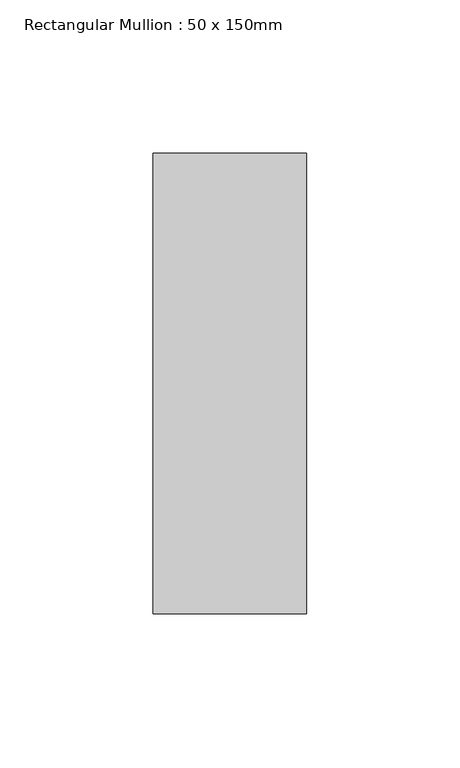
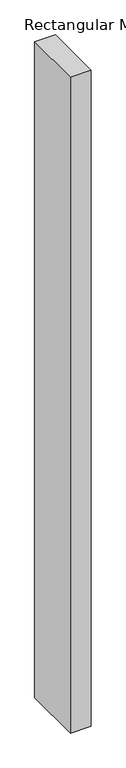
"""IFC4 building model written with IfcOpenShell, lengths in millimetres: member geometry, Rectangular Mullion : 50 x 150mm."""

from ifc_helpers import new_model, si_unit, frame, origin, place, context, project, spatial, polyline, outline, extrude, source, transform, mapped, element, save


def rectangular_mullion_50_x_150mm_283ed55d(model_context):
    return source(origin(), model_context, "Body", "SweptSolid", [
        extrude(outline(polyline([(0.0, 75.0), (0.0, -75.0), (-50.0, -75.0), (-50.0, 75.0), (0.0, 75.0)])), frame((0.0, 0.0, -1678.8531145), z_axis=(0.0, 0.0, 1.0), x_axis=(1.0, 0.0, 0.0)), (0.0, 0.0, 1.0), 1678.8531145),
    ])


if __name__ == "__main__":
    model = new_model("IFC4")
    model_context = context("Model", 3, world=origin())
    ifc_project = project(units=[si_unit("LENGTHUNIT", "METRE", prefix="MILLI")], contexts=[model_context])
    site = spatial("IfcSite", under=ifc_project)
    building = spatial("IfcBuilding", under=site)
    placement = place(None, origin())
    rectangular_mullion_50_x_150mm_shape = rectangular_mullion_50_x_150mm_283ed55d(model_context)
    element("IfcMember", 1, ObjectType="Rectangular Mullion : 50 x 150mm", at=placement, inside=building, context=model_context, shape_type="MappedRepresentation", body=[
        mapped(rectangular_mullion_50_x_150mm_shape, transform((0.0, 0.0, 0.0), x_axis=(1.0, 0.0, 0.0), y_axis=(0.0, 1.0, 0.0), z_axis=(0.0, 0.0, 1.0))),
    ])
    save(model, "model.ifc")
